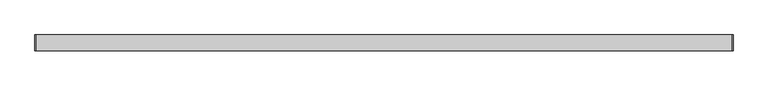
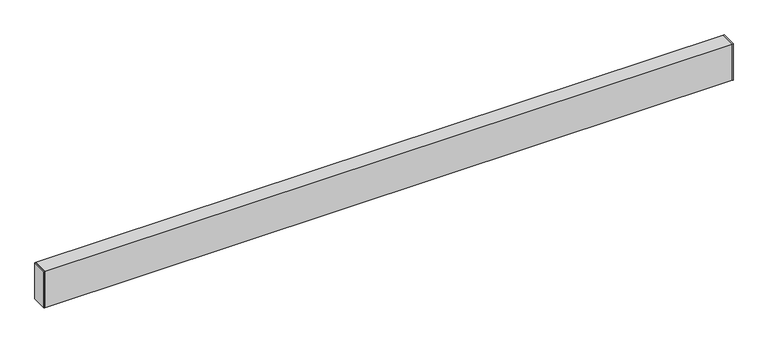
"""IFC4 building model written with IfcOpenShell, lengths in millimetres: proxy geometry."""

from ifc_helpers import new_model, si_unit, frame, origin, origin_with_axes, place, context, project, spatial, polyline, outline, extrude, source, transform, mapped, element, save


def generic_models_e09f30e8(model_context):
    return source(origin(), model_context, "Body", "SweptSolid", [
        extrude(outline(polyline([(0.0, -20.64), (0.0, 20.64), (1.651, 20.64), (1.651, -20.64), (0.0, -20.64)])), origin_with_axes(), (0.0, 0.0, 1.0), 101.6),
        extrude(outline(polyline([(1828.8, -20.64), (1827.149, -20.64), (1827.149, 20.64), (1828.8, 20.64), (1828.8, -20.64)])), origin_with_axes(), (0.0, 0.0, 1.0), 101.6),
        extrude(outline(polyline([(-20.64, 0.0), (-20.64, 101.6), (20.64, 101.6), (20.64, 0.0), (-20.64, 0.0)]), holes=[polyline([(18.99, 1.95), (18.99, 99.65), (-18.99, 99.65), (-18.99, 1.95), (18.99, 1.95)])]), frame((1.651, 0.0, 0.0), z_axis=(1.0, 0.0, 0.0), x_axis=(0.0, 1.0, 0.0)), (0.0, 0.0, 1.0), 1825.498),
    ])


if __name__ == "__main__":
    model = new_model("IFC4")
    model_context = context("Model", 3, world=origin())
    ifc_project = project(units=[si_unit("LENGTHUNIT", "METRE", prefix="MILLI")], contexts=[model_context])
    site = spatial("IfcSite", under=ifc_project)
    building = spatial("IfcBuilding", under=site)
    placement = place(None, origin())
    generic_models_shape = generic_models_e09f30e8(model_context)
    element("IfcBuildingElementProxy", 1, Name="Generic Models", at=placement, inside=building, context=model_context, shape_type="MappedRepresentation", body=[
        mapped(generic_models_shape, transform((0.0, 0.0, 0.0), x_axis=(1.0, 0.0, 0.0), y_axis=(0.0, 1.0, 0.0), z_axis=(0.0, 0.0, 1.0))),
    ])
    save(model, "model.ifc")
